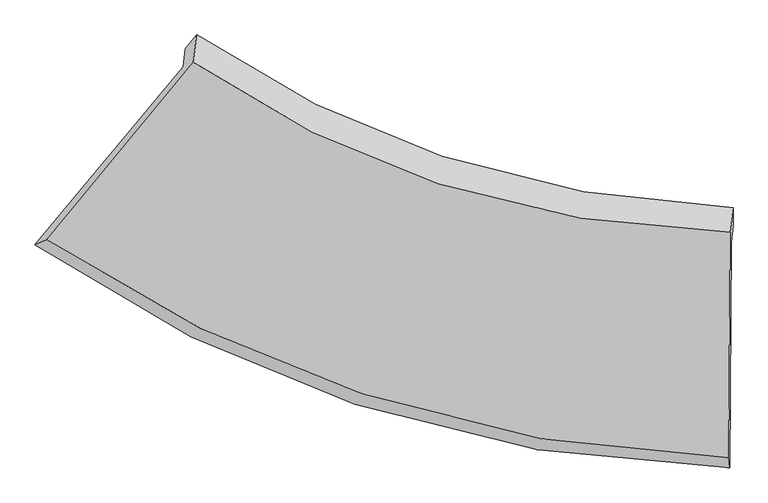
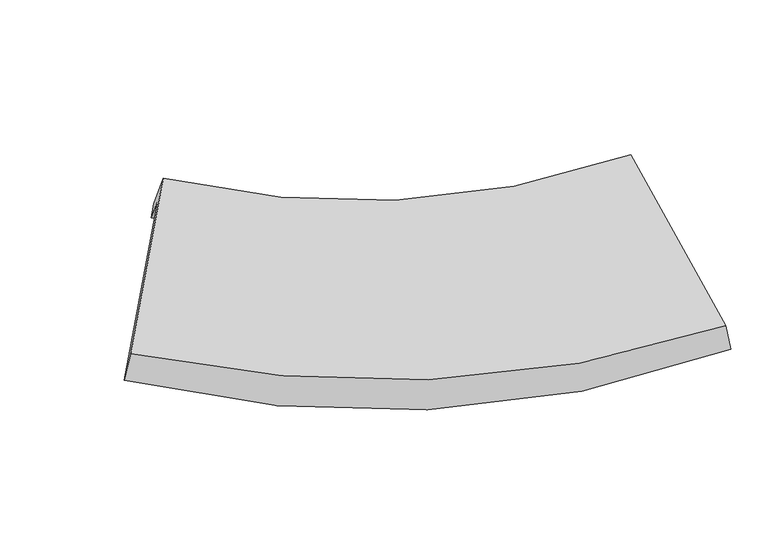
"""IFC4 building model written with IfcOpenShell, lengths in millimetres: proxy geometry."""

import ifcopenshell
import ifcopenshell.guid

model = None  # the IFC model being written
_history = None  # IfcOwnerHistory: only IFC2X3 demands one
_inside = {}  # id of a spatial element -> (the spatial element, [elements in it])
_under = {}  # id of a project, library or spatial element -> (it, [spatial elements below it])
_declared = {}  # id of a project -> (the project, [libraries it declares])
_typed = {}  # id of a type object -> (the type object, [elements of that type])
_made_of = {}  # id of a material, layer set ... -> (it, [elements and type objects made of it])


def new_model(schema):
    """Start an empty IFC model of exactly this schema.

    Asked for "IFC4X3", IfcOpenShell would pick the latest addendum, in which some entities
    have other attributes; the version numbers below select the first issue.
    IFC2X3 requires an IfcOwnerHistory on every rooted entity: one is made here for all.
    """
    global model, _history
    if schema == "IFC4X3":
        model = ifcopenshell.file(schema_version=(4, 3, 0, 0))
    else:
        model = ifcopenshell.file(schema=schema)
    _inside.clear()
    _under.clear()
    _declared.clear()
    _typed.clear()
    _made_of.clear()
    _history = None
    if model.schema == "IFC2X3":
        org = make("IfcOrganization", Name="unknown")
        user = make(
            "IfcPersonAndOrganization",
            ThePerson=make("IfcPerson", FamilyName="unknown"),
            TheOrganization=org,
        )
        app = make(
            "IfcApplication",
            ApplicationDeveloper=org,
            Version="unknown",
            ApplicationFullName="unknown",
            ApplicationIdentifier="unknown",
        )
        _history = make(
            "IfcOwnerHistory",
            OwningUser=user,
            OwningApplication=app,
            ChangeAction="ADDED",
            CreationDate=0,
        )
    return model


def make(cls, **values):
    """One entity of the class cls with the attributes given. An attribute that is None is left unset."""
    return model.create_entity(
        cls, **{name: value for name, value in values.items() if value is not None}
    )


def rooted(cls, **values):
    """An entity with a GlobalId (a new one), such as an element, a storey or a relation."""
    return make(cls, GlobalId=ifcopenshell.guid.new(), OwnerHistory=_history, **values)


def si_unit(unit_type, name, prefix=None):
    """IfcSIUnit, for example si_unit("LENGTHUNIT", "METRE", prefix="MILLI")."""
    return make("IfcSIUnit", UnitType=unit_type, Prefix=prefix, Name=name)


def assignment(units):
    """IfcUnitAssignment: the units of a project."""
    return None if units is None else make("IfcUnitAssignment", Units=units)


def point(xyz):
    """IfcCartesianPoint."""
    return None if xyz is None else make("IfcCartesianPoint", Coordinates=xyz)


def direction(xyz):
    """IfcDirection."""
    return None if xyz is None else make("IfcDirection", DirectionRatios=xyz)


def frame(location, z_axis=None, x_axis=None):
    """IfcAxis2Placement3D, a coordinate frame: its origin and axes. An axis left out is left unset."""
    return make(
        "IfcAxis2Placement3D",
        Location=point(location),
        Axis=direction(z_axis),
        RefDirection=direction(x_axis),
    )


def origin():
    """The frame at (0, 0, 0) with its axes left unset."""
    return frame((0.0, 0.0, 0.0))


def place(relative_to, where):
    """IfcLocalPlacement: puts the frame where relative to a parent placement (None: the world)."""
    return make(
        "IfcLocalPlacement", PlacementRelTo=relative_to, RelativePlacement=where
    )


def context(
    kind, dimensions, precision=None, world=None, true_north=None, identifier=None
):
    """IfcGeometricRepresentationContext, for example the 3D "Model" context."""
    return make(
        "IfcGeometricRepresentationContext",
        ContextIdentifier=identifier,
        ContextType=kind,
        CoordinateSpaceDimension=dimensions,
        Precision=precision,
        WorldCoordinateSystem=world,
        TrueNorth=true_north,
    )


def project(units=None, contexts=None):
    """IfcProject with its units and contexts."""
    return rooted(
        "IfcProject",
        Name="project",
        RepresentationContexts=contexts,
        UnitsInContext=assignment(units),
    )


def spatial(cls, under=None, at=None, **own):
    """A site, building, storey or space (cls), placed at a placement, below another one or the project."""
    s = rooted(cls, ObjectPlacement=at, **own)
    if under is not None:
        _under.setdefault(under.id(), (under, []))[1].append(s)
    return s


def shape(context_of_items, identifier, shape_type, items):
    """IfcShapeRepresentation: the items that make up one representation, for example the "Body"."""
    return make(
        "IfcShapeRepresentation",
        ContextOfItems=context_of_items,
        RepresentationIdentifier=identifier,
        RepresentationType=shape_type,
        Items=items,
    )


def source(mapping_origin, context_of_items, identifier, shape_type, items):
    """IfcRepresentationMap: a shape defined once, which mapped items show again and again."""
    return make(
        "IfcRepresentationMap",
        MappingOrigin=mapping_origin,
        MappedRepresentation=shape(context_of_items, identifier, shape_type, items),
    )


def transform(
    local_origin,
    x_axis=None,
    y_axis=None,
    z_axis=None,
    scale=None,
    scale2=None,
    scale3=None,
    uniform=True,
):
    """IfcCartesianTransformationOperator3D, or its non-uniform kind. x_axis, y_axis, z_axis: its Axis1, 2, 3."""
    if uniform:
        return make(
            "IfcCartesianTransformationOperator3D",
            Axis1=direction(x_axis),
            Axis2=direction(y_axis),
            LocalOrigin=point(local_origin),
            Scale=scale,
            Axis3=direction(z_axis),
        )
    return make(
        "IfcCartesianTransformationOperator3DnonUniform",
        Axis1=direction(x_axis),
        Axis2=direction(y_axis),
        LocalOrigin=point(local_origin),
        Scale=scale,
        Axis3=direction(z_axis),
        Scale2=scale2,
        Scale3=scale3,
    )


def mapped(mapping_source, mapping_target):
    """IfcMappedItem: shows the shape of a source again, moved by a transform."""
    return make(
        "IfcMappedItem", MappingSource=mapping_source, MappingTarget=mapping_target
    )


def made_of(thing, what):
    """Note that an element or type object is made of a material, layer set ...; save() writes the relation."""
    if what is not None:
        _made_of.setdefault(what.id(), (what, []))[1].append(thing)
    return thing


def element(
    cls,
    number,
    at=None,
    inside=None,
    cuts=None,
    type_object=None,
    material=None,
    context=None,
    identifier="Body",
    shape_type=None,
    held_by="IfcProductDefinitionShape",
    body=None,
    shapes=None,
    **own,
):
    """One element of the class cls, such as IfcWall. Its Tag is "e" and its number.

    at: its placement. inside: the storey or other place that contains it. cuts: it is an
    opening in that element (IfcRelVoidsElement). A single representation is given by context,
    identifier, shape_type and body (its items); several are given by shapes. held_by: the class
    of the entity that holds the representations. save() writes the other relations.
    """
    e = rooted(cls, Tag="e%d" % number, ObjectPlacement=at, **own)
    if body is not None:
        shapes = [shape(context, identifier, shape_type, body)]
    if shapes is not None:
        e.Representation = make(held_by, Representations=shapes)
    if inside is not None:
        _inside.setdefault(inside.id(), (inside, []))[1].append(e)
    if cuts is not None:
        rooted(
            "IfcRelVoidsElement", RelatingBuildingElement=cuts, RelatedOpeningElement=e
        )
    if type_object is not None:
        _typed.setdefault(type_object.id(), (type_object, []))[1].append(e)
    return made_of(e, material)


def aggregate(whole, parts):
    """IfcRelAggregates: a whole, such as a stair, and the parts it consists of."""
    return rooted("IfcRelAggregates", RelatingObject=whole, RelatedObjects=parts)


def save(model, path):
    """Write the relations noted so far, then the file.

    IfcRelAggregates (storeys below a building ...), IfcRelContainedInSpatialStructure (elements
    in a storey), IfcRelDefinesByType, IfcRelAssociatesMaterial and IfcRelDeclares: one each for
    every whole, place, type object, material and project.
    """
    for whole, parts in _under.values():
        aggregate(whole, parts)
    for where, things in _inside.values():
        rooted(
            "IfcRelContainedInSpatialStructure",
            RelatedElements=things,
            RelatingStructure=where,
        )
    for kind, things in _typed.values():
        rooted("IfcRelDefinesByType", RelatedObjects=things, RelatingType=kind)
    for what, things in _made_of.values():
        rooted("IfcRelAssociatesMaterial", RelatedObjects=things, RelatingMaterial=what)
    for by, libraries in _declared.values():
        rooted("IfcRelDeclares", RelatingContext=by, RelatedDefinitions=libraries)
    model.write(path)


def plane_surface(at):
    """IfcPlane: the flat surface through the origin of the frame at, square to its z axis."""
    return make("IfcPlane", Position=at)


def spline_curve(degree, points, multiplicities, knots, weights=None):
    """IfcBSplineCurveWithKnots; with weights, IfcRationalBSplineCurveWithKnots."""
    own = dict(
        Degree=degree,
        ControlPointsList=[point(p) for p in points],
        CurveForm="UNSPECIFIED",
        ClosedCurve=False,
        SelfIntersect=False,
        KnotMultiplicities=multiplicities,
        Knots=knots,
        KnotSpec="UNSPECIFIED",
    )
    if weights is None:
        return make("IfcBSplineCurveWithKnots", **own)
    return make("IfcRationalBSplineCurveWithKnots", WeightsData=weights, **own)


def spline_surface(u_degree, v_degree, points, u_multiplicities, v_multiplicities, u_knots, v_knots, weights=None):
    """IfcBSplineSurfaceWithKnots; with weights, IfcRationalBSplineSurfaceWithKnots. points: one row for each step in u."""
    own = dict(
        UDegree=u_degree,
        VDegree=v_degree,
        ControlPointsList=[[point(p) for p in row] for row in points],
        SurfaceForm="UNSPECIFIED",
        UClosed=False,
        VClosed=False,
        SelfIntersect=False,
        UMultiplicities=u_multiplicities,
        VMultiplicities=v_multiplicities,
        UKnots=u_knots,
        VKnots=v_knots,
        KnotSpec="UNSPECIFIED",
    )
    if weights is None:
        return make("IfcBSplineSurfaceWithKnots", **own)
    return make("IfcRationalBSplineSurfaceWithKnots", WeightsData=weights, **own)


def advanced_brep(points, edges, surfaces, faces):
    """IfcAdvancedBrep: a solid bounded by faces that lie on surfaces and meet in shared edges.

    An edge is (start, end): straight between two places in points (the first is 0);
    or (start, end, curve); or (start, end, curve, False) where it runs against its curve.
    A face is (place in surfaces, loops), or (place, loops, False) where it looks against
    its surface's normal. A loop lists edges by number (the first is 1), with a minus sign
    where the edge is run from its end to its start. The first loop is the outer one.
    """
    corners = [point(p) for p in points]
    vertices = [make("IfcVertexPoint", VertexGeometry=c) for c in corners]
    made = []
    for start, end, *more in edges:
        made.append(
            make(
                "IfcEdgeCurve",
                EdgeStart=vertices[start],
                EdgeEnd=vertices[end],
                EdgeGeometry=more[0] if more else make("IfcPolyline", Points=[corners[start], corners[end]]),
                SameSense=more[1] if len(more) > 1 else True,
            )
        )
    hull = []
    for where, loops, *sense in faces:
        bounds = []
        for j, loop in enumerate(loops):
            ring = [make("IfcOrientedEdge", EdgeElement=made[abs(k) - 1], Orientation=k > 0) for k in loop]
            bounds.append(
                make(
                    "IfcFaceOuterBound" if j == 0 else "IfcFaceBound",
                    Bound=make("IfcEdgeLoop", EdgeList=ring),
                    Orientation=True,
                )
            )
        hull.append(make("IfcAdvancedFace", Bounds=bounds, FaceSurface=surfaces[where], SameSense=sense[0] if sense else True))
    return make("IfcAdvancedBrep", Outer=make("IfcClosedShell", CfsFaces=hull))


def generic_models_2cfa0ba1(model_context):
    return source(origin(), model_context, "Body", "AdvancedBrep", [
        advanced_brep(
        [(-1241.8058192, -856.1675246, 2307.4901677), (-1231.3401854, -765.0508305, 2125.4302641), (1537.7302295, -1657.2355497, 1885.8794653), (1527.6011422, -1745.4221766, 2062.0848132), (-1990.7546085, -1756.0907471, 1814.0467956), (1522.30597, -2883.3303085, 1492.2842013), (-1930.5735717, -1732.2160794, 1970.2287292), (1517.3895408, -2833.4661878, 1633.9908234), (-1189.6819743, -834.7062732, 2440.8783529), (1523.647793, -1694.4295512, 2182.6385167), (-1173.7304657, -695.8280408, 2163.3863096), (1538.1444684, -1568.2174982, 1930.454716)],
        [
            (0, 1),
            (1, 2, spline_curve(3, [(-1231.3401854, -765.0508305, 2125.4302641), (-833.663927574, -1033.994729692, 2014.631025455), (-411.732072079, -1242.455962398, 1938.78733459), (508.202472088, -1547.553279264, 1854.485512323), (1009.294088275, -1636.48695296, 1850.478936945), (1537.7302295, -1657.2355497, 1885.8794653)], [4, 2, 4], [0.0, 0.48502087013483586, 1.0])),
            (2, 3),
            (3, 0, spline_curve(3, [(1527.6011422, -1745.4221766, 2062.0848132), (998.846007332, -1727.450826499, 2032.233490318), (497.569921402, -1640.123196711, 2039.449095731), (-422.461608664, -1335.870266011, 2125.438082664), (-844.321176564, -1126.779678457, 2200.024262049), (-1241.8058192, -856.1675246, 2307.4901677)], [4, 2, 4], [0.0, 0.5149791298651641, 1.0])),
            (4, 0),
            (3, 5),
            (5, 4, spline_curve(3, [(1522.30597, -2883.3303085, 1492.2842013), (859.576451277, -2867.997093347, 1453.411095131), (227.580144772, -2760.910870101, 1463.00101648), (-939.968323512, -2374.799628363, 1575.729757614), (-1478.992209817, -2106.139331072, 1673.394034368), (-1990.7546085, -1756.0907471, 1814.0467956)], [4, 2, 4], [0.0, 5.682141103822751, 11.033730833539785])),
            (6, 4),
            (5, 7),
            (7, 6, spline_curve(3, [(1517.3895408, -2833.4661878, 1633.9908234), (869.765066129, -2811.550321751, 1616.095847392), (250.849713331, -2703.568873367, 1637.140234132), (-895.228247509, -2326.76325288, 1753.618254676), (-1425.633932038, -2067.661331656, 1844.653169798), (-1930.5735717, -1732.2160794, 1970.2287292)], [4, 2, 4], [0.0, 6.291771293803678, 12.217526748027709])),
            (8, 6),
            (7, 9),
            (9, 8, spline_curve(3, [(1523.647793, -1694.4295512, 2182.6385167), (1004.617736473, -1681.11321982, 2160.262951715), (513.015806012, -1598.653979211, 2172.239038817), (-388.329078457, -1304.268942771, 2262.199459728), (-801.170403765, -1100.153757359, 2336.303318084), (-1189.6819743, -834.7062732, 2440.8783529)], [4, 2, 4], [0.0, 5.564542735052059, 10.805375232407982])),
            (10, 8),
            (9, 11),
            (11, 10, spline_curve(3, [(1538.1444684, -1568.2174982, 1930.454716), (1019.857345255, -1548.432983246, 1895.155099282), (528.744362001, -1461.716833542, 1898.625473387), (-372.144269199, -1163.359530242, 1980.648923587), (-784.989597283, -959.279194137, 2054.822413946), (-1173.7304657, -695.8280408, 2163.3863096)], [4, 2, 4], [0.0, 0.5149791298651641, 1.0])),
            (1, 10),
            (11, 2),
        ],
        [
            spline_surface(3, 3, [[(-1241.8058192, -856.1675246, 2307.4901677), (-844.32117656, -1126.779678457, 2200.024262046), (-422.461608667, -1335.870266011, 2125.438082662), (497.569921405, -1640.123196711, 2039.449095733), (998.846007328, -1727.450826507, 2032.233490312), (1527.6011422, -1745.4221766, 2062.0848132)], [(-1238.31727458, -825.795293243, 2246.803533166), (-840.76876021, -1095.851362213, 2138.226516515), (-418.885096485, -1304.73216481, 2063.221166643), (501.114104946, -1609.266557567, 1977.79456793), (1002.328700974, -1697.129535348, 1971.648639183), (1530.97750463, -1716.026634322, 2003.349697226)], [(-1234.82873002, -795.423061857, 2186.116898634), (-837.216343921, -1064.923045941, 2076.428770985), (-415.308584252, -1273.594063596, 2001.004250616), (504.658288538, -1578.40991841, 1916.140040119), (1005.811394629, -1666.808244122, 1911.063788078), (1534.35386707, -1686.631091978, 1944.614581274)], [(-1231.3401854, -765.0508305, 2125.4302641), (-833.663927572, -1033.994729697, 2014.631025454), (-411.732072071, -1242.455962395, 1938.787334596), (508.202472079, -1547.553279267, 1854.485512316), (1009.294088275, -1636.486952962, 1850.478936949), (1537.7302295, -1657.2355497, 1885.8794653)]], [4, 4], [4, 2, 4], [0.0, 1.0], [0.0, 0.48502087013483586, 1.0]),
            spline_surface(3, 3, [[(-1990.7546085, -1756.0907471, 1814.0467956), (-1478.992209773, -2106.139331007, 1673.394034291), (-939.968323428, -2374.799628281, 1575.729757558), (227.580144684, -2760.910870189, 1463.00101654), (859.576451212, -2867.997093402, 1453.411095167), (1522.30597, -2883.3303085, 1492.2842013)], [(-1741.105012078, -1456.116339584, 1978.527919648), (-1267.435198713, -1779.686113474, 1848.937443557), (-767.46608516, -2028.489840851, 1758.965865898), (317.576736939, -2387.314979023, 1655.150376244), (905.999636584, -2487.815004422, 1646.351893545), (1524.0710274, -2504.027597852, 1682.217738596)], [(-1491.455415622, -1156.141932116, 2143.009043652), (-1055.878187619, -1453.232895989, 2024.48085278), (-594.963846935, -1682.18005344, 1942.201974321), (407.57332915, -2013.719087876, 1847.29973603), (952.422821956, -2107.632915487, 1839.292691934), (1525.8360848, -2124.724887248, 1872.151275904)], [(-1241.8058192, -856.1675246, 2307.4901677), (-844.32117656, -1126.779678457, 2200.024262046), (-422.461608667, -1335.870266011, 2125.438082662), (497.569921405, -1640.123196711, 2039.449095733), (998.846007328, -1727.450826507, 2032.233490312), (1527.6011422, -1745.4221766, 2062.0848132)]], [4, 4], [4, 2, 4], [0.0, 4.199536337435088], [0.0, 5.351589729717034, 11.033730833539785]),
            spline_surface(3, 3, [[(-1930.5735717, -1732.2160794, 1970.2287292), (-1425.633932112, -2067.661331712, 1844.653169708), (-895.228247448, -2326.763252838, 1753.618254582), (250.849713266, -2703.568873411, 1637.140234231), (869.76506609, -2811.550321801, 1616.095847379), (1517.3895408, -2833.4661878, 1633.9908234)], [(-1950.633917291, -1740.17430197, 1918.168084668), (-1443.420024657, -2080.487331481, 1787.566791237), (-910.141606106, -2342.775377965, 1694.322088929), (243.093190408, -2722.682872317, 1579.093828356), (866.368861114, -2830.365912353, 1561.867596624), (1519.028350517, -2850.087561385, 1586.755282682)], [(-1970.694262909, -1748.13252453, 1866.107440132), (-1461.206117228, -2093.313331238, 1730.480412763), (-925.05496477, -2358.787503153, 1635.025923211), (235.336667542, -2741.796871283, 1521.047422416), (862.972656187, -2849.18150285, 1507.639345922), (1520.667160283, -2866.708934915, 1539.519742018)], [(-1990.7546085, -1756.0907471, 1814.0467956), (-1478.992209773, -2106.139331007, 1673.394034291), (-939.968323428, -2374.799628281, 1575.729757558), (227.580144684, -2760.910870189, 1463.00101654), (859.576451212, -2867.997093402, 1453.411095167), (1522.30597, -2883.3303085, 1492.2842013)]], [4, 4], [4, 2, 4], [0.0, 0.6124685506939174], [0.0, 5.9257554542240305, 12.217526748027709]),
            spline_surface(3, 3, [[(-1189.6819743, -834.7062732, 2440.8783529), (-801.170403803, -1100.153757417, 2336.303318043), (-388.329078466, -1304.268942815, 2262.199459752), (513.015806022, -1598.653979165, 2172.239038792), (1004.617736404, -1681.11321975, 2160.262951673), (1523.647793, -1694.4295512, 2182.6385167)], [(-1436.645840095, -1133.876208608, 2283.99514501), (-1009.324913234, -1422.65628219, 2172.419935275), (-557.295468119, -1645.100379517, 2092.672391356), (425.627108444, -1966.958943941, 1993.872770599), (959.666846285, -2057.925587076, 1978.873916936), (1521.56170892, -2074.108430042, 1999.755952294)], [(-1683.609705905, -1433.046143992, 2127.11193709), (-1217.47942268, -1745.158806939, 2008.536552476), (-726.261857795, -1985.931816136, 1923.145322978), (338.238410844, -2335.263908635, 1815.506502423), (914.715956208, -2434.737954476, 1797.484882116), (1519.47562488, -2453.787308958, 1816.873387806)], [(-1930.5735717, -1732.2160794, 1970.2287292), (-1425.633932112, -2067.661331712, 1844.653169708), (-895.228247448, -2326.763252838, 1753.618254582), (250.849713266, -2703.568873411, 1637.140234231), (869.76506609, -2811.550321801, 1616.095847379), (1517.3895408, -2833.4661878, 1633.9908234)]], [4, 4], [4, 2, 4], [0.0, 4.087309718039263], [0.0, 5.240832497355924, 10.805375232407982]),
            spline_surface(3, 3, [[(-1173.7304657, -695.8280408, 2163.3863096), (-784.989597286, -959.279194132, 2054.822413951), (-372.144269198, -1163.359530243, 1980.648923582), (528.744362, -1461.716833541, 1898.625473393), (1019.857345258, -1548.432983252, 1895.15509928), (1538.1444684, -1568.2174982, 1930.454716)], [(-1179.047635243, -742.120784942, 2255.883657335), (-790.383199468, -1006.237381902, 2148.64938195), (-377.539205639, -1210.329334433, 2074.499102302), (523.50150999, -1507.362548748, 1989.829995189), (1014.777475644, -1592.659728779, 1983.52438341), (1533.312243271, -1610.288182561, 2014.515982899)], [(-1184.364804757, -788.413529058, 2348.381005165), (-795.77680162, -1053.195569647, 2242.476350044), (-382.934142026, -1257.299138626, 2168.349281032), (518.258658032, -1553.008263958, 2081.034516996), (1009.697606018, -1636.886474223, 2071.893667543), (1528.480018129, -1652.358866839, 2098.577249801)], [(-1189.6819743, -834.7062732, 2440.8783529), (-801.170403803, -1100.153757417, 2336.303318043), (-388.329078466, -1304.268942815, 2262.199459752), (513.015806022, -1598.653979165, 2172.239038792), (1004.617736404, -1681.11321975, 2160.262951673), (1523.647793, -1694.4295512, 2182.6385167)]], [4, 4], [4, 2, 4], [0.0, 1.0], [0.0, 0.48502087013483586, 1.0]),
            spline_surface(3, 3, [[(-1231.3401854, -765.0508305, 2125.4302641), (-833.663927572, -1033.994729697, 2014.631025454), (-411.732072071, -1242.455962395, 1938.787334596), (508.202472079, -1547.553279267, 1854.485512316), (1009.294088275, -1636.486952962, 1850.478936949), (1537.7302295, -1657.2355497, 1885.8794653)], [(-1212.136945513, -741.976567252, 2138.082279273), (-817.439150823, -1009.089551161, 2028.02815496), (-398.53613777, -1216.090485007, 1952.741197604), (515.04976873, -1518.941130687, 1869.198832688), (1012.815173965, -1607.135629697, 1865.370991061), (1537.868309162, -1627.562865838, 1900.737882202)], [(-1192.933705587, -718.902304048, 2150.734294427), (-801.214374035, -984.184372668, 2041.425284445), (-385.340203499, -1189.725007632, 1966.695060574), (521.897065349, -1490.328982121, 1883.912153022), (1016.336259568, -1577.784306517, 1880.263045167), (1538.006388738, -1597.890182062, 1915.596299098)], [(-1173.7304657, -695.8280408, 2163.3863096), (-784.989597286, -959.279194132, 2054.822413951), (-372.144269198, -1163.359530243, 1980.648923582), (528.744362, -1461.716833541, 1898.625473393), (1019.857345258, -1548.432983252, 1895.15509928), (1538.1444684, -1568.2174982, 1930.454716)]], [4, 4], [4, 2, 4], [0.0, 1.0], [0.0, 0.48502087013483586, 1.0]),
            plane_surface(frame((1527.8031906, -2063.6835453, 1864.5554226), z_axis=(0.9986726589294367, -0.026702228897100916, 0.04404442392330904), x_axis=(-0.004949968784271198, -0.9009217873494597, -0.43395325887483543))),
            plane_surface(frame((-1459.6477708, -1106.6765826, 2136.9101032), z_axis=(-0.8061552677228531, 0.5463831474470566, 0.2271104147954102), x_axis=(-0.051338167219960575, -0.4469642392419846, 0.8930774666429164))),
        ],
        [
            (0, [[1, 2, 3, 4]]),
            (1, [[5, -4, 6, 7]]),
            (2, [[8, -7, 9, 10]]),
            (3, [[11, -10, 12, 13]]),
            (4, [[14, -13, 15, 16]]),
            (5, [[17, -16, 18, -2]]),
            (6, [[-12, -9, -6, -3, -18, -15]]),
            (7, [[-1, -5, -8, -11, -14, -17]]),
        ],
    ),
    ])


if __name__ == "__main__":
    model = new_model("IFC4")
    model_context = context("Model", 3, world=origin())
    ifc_project = project(units=[si_unit("LENGTHUNIT", "METRE", prefix="MILLI")], contexts=[model_context])
    site = spatial("IfcSite", under=ifc_project)
    building = spatial("IfcBuilding", under=site)
    placement = place(None, origin())
    generic_models_shape = generic_models_2cfa0ba1(model_context)
    element("IfcBuildingElementProxy", 1, Name="Generic Models", at=placement, inside=building, context=model_context, shape_type="MappedRepresentation", body=[
        mapped(generic_models_shape, transform((0.0, 0.0, 0.0), x_axis=(1.0, 0.0, 0.0), y_axis=(0.0, 1.0, 0.0), z_axis=(0.0, 0.0, 1.0))),
    ])
    save(model, "model.ifc")
